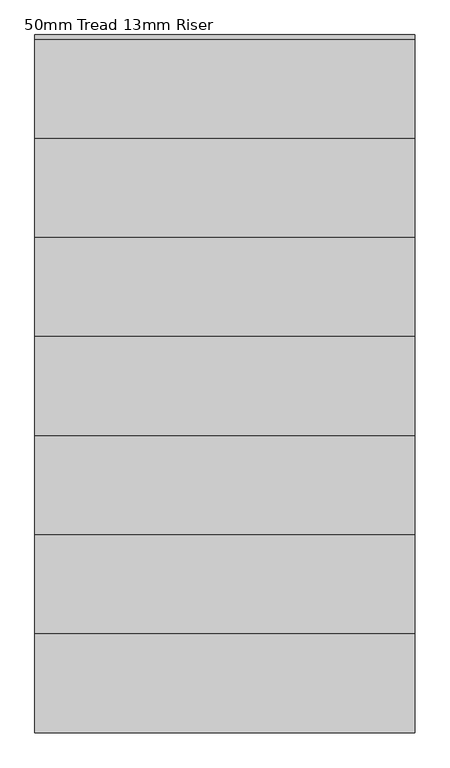
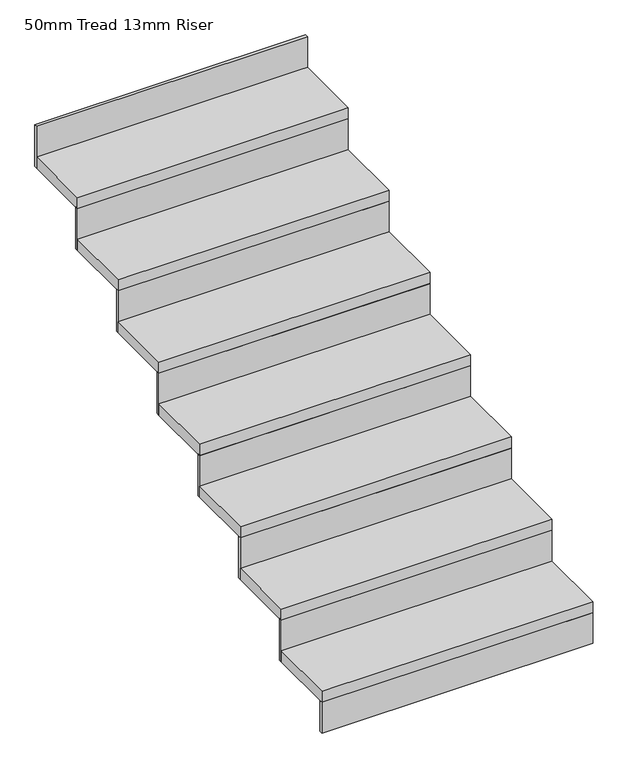
"""IFC4 building model written with IfcOpenShell, lengths in millimetres: stair flight geometry, 50mm Tread 13mm Riser."""

import ifcopenshell
import ifcopenshell.guid

model = None  # the IFC model being written
_history = None  # IfcOwnerHistory: only IFC2X3 demands one
_inside = {}  # id of a spatial element -> (the spatial element, [elements in it])
_under = {}  # id of a project, library or spatial element -> (it, [spatial elements below it])
_declared = {}  # id of a project -> (the project, [libraries it declares])
_typed = {}  # id of a type object -> (the type object, [elements of that type])
_made_of = {}  # id of a material, layer set ... -> (it, [elements and type objects made of it])


def new_model(schema):
    """Start an empty IFC model of exactly this schema.

    Asked for "IFC4X3", IfcOpenShell would pick the latest addendum, in which some entities
    have other attributes; the version numbers below select the first issue.
    IFC2X3 requires an IfcOwnerHistory on every rooted entity: one is made here for all.
    """
    global model, _history
    if schema == "IFC4X3":
        model = ifcopenshell.file(schema_version=(4, 3, 0, 0))
    else:
        model = ifcopenshell.file(schema=schema)
    _inside.clear()
    _under.clear()
    _declared.clear()
    _typed.clear()
    _made_of.clear()
    _history = None
    if model.schema == "IFC2X3":
        org = make("IfcOrganization", Name="unknown")
        user = make(
            "IfcPersonAndOrganization",
            ThePerson=make("IfcPerson", FamilyName="unknown"),
            TheOrganization=org,
        )
        app = make(
            "IfcApplication",
            ApplicationDeveloper=org,
            Version="unknown",
            ApplicationFullName="unknown",
            ApplicationIdentifier="unknown",
        )
        _history = make(
            "IfcOwnerHistory",
            OwningUser=user,
            OwningApplication=app,
            ChangeAction="ADDED",
            CreationDate=0,
        )
    return model


def make(cls, **values):
    """One entity of the class cls with the attributes given. An attribute that is None is left unset."""
    return model.create_entity(
        cls, **{name: value for name, value in values.items() if value is not None}
    )


def rooted(cls, **values):
    """An entity with a GlobalId (a new one), such as an element, a storey or a relation."""
    return make(cls, GlobalId=ifcopenshell.guid.new(), OwnerHistory=_history, **values)


def si_unit(unit_type, name, prefix=None):
    """IfcSIUnit, for example si_unit("LENGTHUNIT", "METRE", prefix="MILLI")."""
    return make("IfcSIUnit", UnitType=unit_type, Prefix=prefix, Name=name)


def assignment(units):
    """IfcUnitAssignment: the units of a project."""
    return None if units is None else make("IfcUnitAssignment", Units=units)


def point(xyz):
    """IfcCartesianPoint."""
    return None if xyz is None else make("IfcCartesianPoint", Coordinates=xyz)


def direction(xyz):
    """IfcDirection."""
    return None if xyz is None else make("IfcDirection", DirectionRatios=xyz)


def frame(location, z_axis=None, x_axis=None):
    """IfcAxis2Placement3D, a coordinate frame: its origin and axes. An axis left out is left unset."""
    return make(
        "IfcAxis2Placement3D",
        Location=point(location),
        Axis=direction(z_axis),
        RefDirection=direction(x_axis),
    )


def origin():
    """The frame at (0, 0, 0) with its axes left unset."""
    return frame((0.0, 0.0, 0.0))


def place(relative_to, where):
    """IfcLocalPlacement: puts the frame where relative to a parent placement (None: the world)."""
    return make(
        "IfcLocalPlacement", PlacementRelTo=relative_to, RelativePlacement=where
    )


def context(
    kind, dimensions, precision=None, world=None, true_north=None, identifier=None
):
    """IfcGeometricRepresentationContext, for example the 3D "Model" context."""
    return make(
        "IfcGeometricRepresentationContext",
        ContextIdentifier=identifier,
        ContextType=kind,
        CoordinateSpaceDimension=dimensions,
        Precision=precision,
        WorldCoordinateSystem=world,
        TrueNorth=true_north,
    )


def project(units=None, contexts=None):
    """IfcProject with its units and contexts."""
    return rooted(
        "IfcProject",
        Name="project",
        RepresentationContexts=contexts,
        UnitsInContext=assignment(units),
    )


def spatial(cls, under=None, at=None, **own):
    """A site, building, storey or space (cls), placed at a placement, below another one or the project."""
    s = rooted(cls, ObjectPlacement=at, **own)
    if under is not None:
        _under.setdefault(under.id(), (under, []))[1].append(s)
    return s


def polyline(points):
    """IfcPolyline through the points."""
    return make("IfcPolyline", Points=[point(p) for p in points])


def outline(outer, holes=None, kind="AREA"):
    """IfcArbitraryClosedProfileDef: a profile drawn as a closed curve; with holes, ...WithVoids."""
    if holes is None:
        return make("IfcArbitraryClosedProfileDef", ProfileType=kind, OuterCurve=outer)
    return make(
        "IfcArbitraryProfileDefWithVoids",
        ProfileType=kind,
        OuterCurve=outer,
        InnerCurves=holes,
    )


def extrude(swept, where, along, depth):
    """IfcExtrudedAreaSolid: the profile swept, set in the frame where, extruded along a direction by depth."""
    return make(
        "IfcExtrudedAreaSolid",
        SweptArea=swept,
        Position=where,
        ExtrudedDirection=direction(along),
        Depth=depth,
    )


def shape(context_of_items, identifier, shape_type, items):
    """IfcShapeRepresentation: the items that make up one representation, for example the "Body"."""
    return make(
        "IfcShapeRepresentation",
        ContextOfItems=context_of_items,
        RepresentationIdentifier=identifier,
        RepresentationType=shape_type,
        Items=items,
    )


def source(mapping_origin, context_of_items, identifier, shape_type, items):
    """IfcRepresentationMap: a shape defined once, which mapped items show again and again."""
    return make(
        "IfcRepresentationMap",
        MappingOrigin=mapping_origin,
        MappedRepresentation=shape(context_of_items, identifier, shape_type, items),
    )


def transform(
    local_origin,
    x_axis=None,
    y_axis=None,
    z_axis=None,
    scale=None,
    scale2=None,
    scale3=None,
    uniform=True,
):
    """IfcCartesianTransformationOperator3D, or its non-uniform kind. x_axis, y_axis, z_axis: its Axis1, 2, 3."""
    if uniform:
        return make(
            "IfcCartesianTransformationOperator3D",
            Axis1=direction(x_axis),
            Axis2=direction(y_axis),
            LocalOrigin=point(local_origin),
            Scale=scale,
            Axis3=direction(z_axis),
        )
    return make(
        "IfcCartesianTransformationOperator3DnonUniform",
        Axis1=direction(x_axis),
        Axis2=direction(y_axis),
        LocalOrigin=point(local_origin),
        Scale=scale,
        Axis3=direction(z_axis),
        Scale2=scale2,
        Scale3=scale3,
    )


def mapped(mapping_source, mapping_target):
    """IfcMappedItem: shows the shape of a source again, moved by a transform."""
    return make(
        "IfcMappedItem", MappingSource=mapping_source, MappingTarget=mapping_target
    )


def made_of(thing, what):
    """Note that an element or type object is made of a material, layer set ...; save() writes the relation."""
    if what is not None:
        _made_of.setdefault(what.id(), (what, []))[1].append(thing)
    return thing


def element(
    cls,
    number,
    at=None,
    inside=None,
    cuts=None,
    type_object=None,
    material=None,
    context=None,
    identifier="Body",
    shape_type=None,
    held_by="IfcProductDefinitionShape",
    body=None,
    shapes=None,
    **own,
):
    """One element of the class cls, such as IfcWall. Its Tag is "e" and its number.

    at: its placement. inside: the storey or other place that contains it. cuts: it is an
    opening in that element (IfcRelVoidsElement). A single representation is given by context,
    identifier, shape_type and body (its items); several are given by shapes. held_by: the class
    of the entity that holds the representations. save() writes the other relations.
    """
    e = rooted(cls, Tag="e%d" % number, ObjectPlacement=at, **own)
    if body is not None:
        shapes = [shape(context, identifier, shape_type, body)]
    if shapes is not None:
        e.Representation = make(held_by, Representations=shapes)
    if inside is not None:
        _inside.setdefault(inside.id(), (inside, []))[1].append(e)
    if cuts is not None:
        rooted(
            "IfcRelVoidsElement", RelatingBuildingElement=cuts, RelatedOpeningElement=e
        )
    if type_object is not None:
        _typed.setdefault(type_object.id(), (type_object, []))[1].append(e)
    return made_of(e, material)


def aggregate(whole, parts):
    """IfcRelAggregates: a whole, such as a stair, and the parts it consists of."""
    return rooted("IfcRelAggregates", RelatingObject=whole, RelatedObjects=parts)


def save(model, path):
    """Write the relations noted so far, then the file.

    IfcRelAggregates (storeys below a building ...), IfcRelContainedInSpatialStructure (elements
    in a storey), IfcRelDefinesByType, IfcRelAssociatesMaterial and IfcRelDeclares: one each for
    every whole, place, type object, material and project.
    """
    for whole, parts in _under.values():
        aggregate(whole, parts)
    for where, things in _inside.values():
        rooted(
            "IfcRelContainedInSpatialStructure",
            RelatedElements=things,
            RelatingStructure=where,
        )
    for kind, things in _typed.values():
        rooted("IfcRelDefinesByType", RelatedObjects=things, RelatingType=kind)
    for what, things in _made_of.values():
        rooted("IfcRelAssociatesMaterial", RelatedObjects=things, RelatingMaterial=what)
    for by, libraries in _declared.values():
        rooted("IfcRelDeclares", RelatingContext=by, RelatedDefinitions=libraries)
    model.write(path)


def stair_flight_50mm_tread_13mm_riser_f9383891(model_context):
    return source(origin(), model_context, "Body", "SweptSolid", [
        extrude(outline(polyline([(1534.355623, -11459.865151), (1534.355623, -11472.365151), (383.6347234, -11472.365151), (383.6347234, -11459.865151), (1534.355623, -11459.865151)])), frame((0.0, 0.0, 9000.0), z_axis=(0.0, 0.0, 1.0), x_axis=(1.0, 0.0, 0.0)), (0.0, 0.0, 1.0), 137.5),
        extrude(outline(polyline([(383.6347234, -11172.365151), (1534.355623, -11172.365151), (1534.355623, -11472.365151), (383.6347234, -11472.365151), (383.6347234, -11172.365151)])), frame((0.0, 0.0, 9137.5), z_axis=(0.0, 0.0, 1.0), x_axis=(1.0, 0.0, 0.0)), (0.0, 0.0, 1.0), 50.0),
        extrude(outline(polyline([(1534.355623, -11159.865151), (1534.355623, -11172.365151), (383.6347234, -11172.365151), (383.6347234, -11159.865151), (1534.355623, -11159.865151)])), frame((0.0, 0.0, 9137.5), z_axis=(0.0, 0.0, 1.0), x_axis=(1.0, 0.0, 0.0)), (0.0, 0.0, 1.0), 187.5),
        extrude(outline(polyline([(383.6347234, -10872.365151), (1534.355623, -10872.365151), (1534.355623, -11172.365151), (383.6347234, -11172.365151), (383.6347234, -10872.365151)])), frame((0.0, 0.0, 9325.0), z_axis=(0.0, 0.0, 1.0), x_axis=(1.0, 0.0, 0.0)), (0.0, 0.0, 1.0), 50.0),
        extrude(outline(polyline([(1534.355623, -10859.865151), (1534.355623, -10872.365151), (383.6347234, -10872.365151), (383.6347234, -10859.865151), (1534.355623, -10859.865151)])), frame((0.0, 0.0, 9325.0), z_axis=(0.0, 0.0, 1.0), x_axis=(1.0, 0.0, 0.0)), (0.0, 0.0, 1.0), 187.5),
        extrude(outline(polyline([(383.6347234, -10572.365151), (1534.355623, -10572.365151), (1534.355623, -10872.365151), (383.6347234, -10872.365151), (383.6347234, -10572.365151)])), frame((0.0, 0.0, 9512.5), z_axis=(0.0, 0.0, 1.0), x_axis=(1.0, 0.0, 0.0)), (0.0, 0.0, 1.0), 50.0),
        extrude(outline(polyline([(1534.355623, -10559.865151), (1534.355623, -10572.365151), (383.6347234, -10572.365151), (383.6347234, -10559.865151), (1534.355623, -10559.865151)])), frame((0.0, 0.0, 9512.5), z_axis=(0.0, 0.0, 1.0), x_axis=(1.0, 0.0, 0.0)), (0.0, 0.0, 1.0), 187.5),
        extrude(outline(polyline([(383.6347234, -10272.365151), (1534.355623, -10272.365151), (1534.355623, -10572.365151), (383.6347234, -10572.365151), (383.6347234, -10272.365151)])), frame((0.0, 0.0, 9700.0), z_axis=(0.0, 0.0, 1.0), x_axis=(1.0, 0.0, 0.0)), (0.0, 0.0, 1.0), 50.0),
        extrude(outline(polyline([(1534.355623, -10259.865151), (1534.355623, -10272.365151), (383.6347234, -10272.365151), (383.6347234, -10259.865151), (1534.355623, -10259.865151)])), frame((0.0, 0.0, 9700.0), z_axis=(0.0, 0.0, 1.0), x_axis=(1.0, 0.0, 0.0)), (0.0, 0.0, 1.0), 187.5),
        extrude(outline(polyline([(383.6347234, -9972.365151), (1534.355623, -9972.365151), (1534.355623, -10272.365151), (383.6347234, -10272.365151), (383.6347234, -9972.365151)])), frame((0.0, 0.0, 9887.5), z_axis=(0.0, 0.0, 1.0), x_axis=(1.0, 0.0, 0.0)), (0.0, 0.0, 1.0), 50.0),
        extrude(outline(polyline([(1534.355623, -9959.865151), (1534.355623, -9972.365151), (383.6347234, -9972.365151), (383.6347234, -9959.865151), (1534.355623, -9959.865151)])), frame((0.0, 0.0, 9887.5), z_axis=(0.0, 0.0, 1.0), x_axis=(1.0, 0.0, 0.0)), (0.0, 0.0, 1.0), 187.5),
        extrude(outline(polyline([(383.6347234, -9672.365151), (1534.355623, -9672.365151), (1534.355623, -9972.365151), (383.6347234, -9972.365151), (383.6347234, -9672.365151)])), frame((0.0, 0.0, 10075.0), z_axis=(0.0, 0.0, 1.0), x_axis=(1.0, 0.0, 0.0)), (0.0, 0.0, 1.0), 50.0),
        extrude(outline(polyline([(1534.355623, -9659.865151), (1534.355623, -9672.365151), (383.6347234, -9672.365151), (383.6347234, -9659.865151), (1534.355623, -9659.865151)])), frame((0.0, 0.0, 10075.0), z_axis=(0.0, 0.0, 1.0), x_axis=(1.0, 0.0, 0.0)), (0.0, 0.0, 1.0), 187.5),
        extrude(outline(polyline([(1534.355623, -9359.865151), (1534.355623, -9372.365151), (383.6347234, -9372.365151), (383.6347234, -9359.865151), (1534.355623, -9359.865151)])), frame((0.0, 0.0, 10262.5), z_axis=(0.0, 0.0, 1.0), x_axis=(1.0, 0.0, 0.0)), (0.0, 0.0, 1.0), 187.5),
        extrude(outline(polyline([(383.6347234, -9372.365151), (1534.355623, -9372.365151), (1534.355623, -9672.365151), (383.6347234, -9672.365151), (383.6347234, -9372.365151)])), frame((0.0, 0.0, 10262.5), z_axis=(0.0, 0.0, 1.0), x_axis=(1.0, 0.0, 0.0)), (0.0, 0.0, 1.0), 50.0),
    ])


if __name__ == "__main__":
    model = new_model("IFC4")
    model_context = context("Model", 3, world=origin())
    ifc_project = project(units=[si_unit("LENGTHUNIT", "METRE", prefix="MILLI")], contexts=[model_context])
    site = spatial("IfcSite", under=ifc_project)
    building = spatial("IfcBuilding", under=site)
    placement = place(None, origin())
    stair_flight_50mm_tread_13mm_riser_shape = stair_flight_50mm_tread_13mm_riser_f9383891(model_context)
    element("IfcStairFlight", 1, ObjectType="50mm Tread 13mm Riser", at=placement, inside=building, context=model_context, shape_type="MappedRepresentation", body=[
        mapped(stair_flight_50mm_tread_13mm_riser_shape, transform((0.0, 0.0, 0.0), x_axis=(1.0, 0.0, 0.0), y_axis=(0.0, 1.0, 0.0), z_axis=(0.0, 0.0, 1.0))),
    ])
    save(model, "model.ifc")
